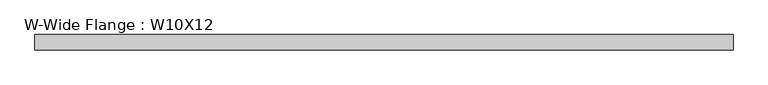
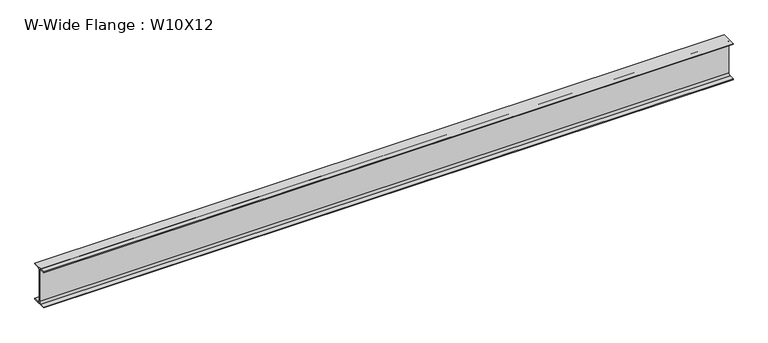
"""IFC4 building model written with IfcOpenShell, lengths in millimetres: beam geometry, W-Wide Flange : W10X12."""

import ifcopenshell
import ifcopenshell.guid

model = None  # the IFC model being written
_history = None  # IfcOwnerHistory: only IFC2X3 demands one
_inside = {}  # id of a spatial element -> (the spatial element, [elements in it])
_under = {}  # id of a project, library or spatial element -> (it, [spatial elements below it])
_declared = {}  # id of a project -> (the project, [libraries it declares])
_typed = {}  # id of a type object -> (the type object, [elements of that type])
_made_of = {}  # id of a material, layer set ... -> (it, [elements and type objects made of it])


def new_model(schema):
    """Start an empty IFC model of exactly this schema.

    Asked for "IFC4X3", IfcOpenShell would pick the latest addendum, in which some entities
    have other attributes; the version numbers below select the first issue.
    IFC2X3 requires an IfcOwnerHistory on every rooted entity: one is made here for all.
    """
    global model, _history
    if schema == "IFC4X3":
        model = ifcopenshell.file(schema_version=(4, 3, 0, 0))
    else:
        model = ifcopenshell.file(schema=schema)
    _inside.clear()
    _under.clear()
    _declared.clear()
    _typed.clear()
    _made_of.clear()
    _history = None
    if model.schema == "IFC2X3":
        org = make("IfcOrganization", Name="unknown")
        user = make(
            "IfcPersonAndOrganization",
            ThePerson=make("IfcPerson", FamilyName="unknown"),
            TheOrganization=org,
        )
        app = make(
            "IfcApplication",
            ApplicationDeveloper=org,
            Version="unknown",
            ApplicationFullName="unknown",
            ApplicationIdentifier="unknown",
        )
        _history = make(
            "IfcOwnerHistory",
            OwningUser=user,
            OwningApplication=app,
            ChangeAction="ADDED",
            CreationDate=0,
        )
    return model


def make(cls, **values):
    """One entity of the class cls with the attributes given. An attribute that is None is left unset."""
    return model.create_entity(
        cls, **{name: value for name, value in values.items() if value is not None}
    )


def rooted(cls, **values):
    """An entity with a GlobalId (a new one), such as an element, a storey or a relation."""
    return make(cls, GlobalId=ifcopenshell.guid.new(), OwnerHistory=_history, **values)


def si_unit(unit_type, name, prefix=None):
    """IfcSIUnit, for example si_unit("LENGTHUNIT", "METRE", prefix="MILLI")."""
    return make("IfcSIUnit", UnitType=unit_type, Prefix=prefix, Name=name)


def assignment(units):
    """IfcUnitAssignment: the units of a project."""
    return None if units is None else make("IfcUnitAssignment", Units=units)


def point(xyz):
    """IfcCartesianPoint."""
    return None if xyz is None else make("IfcCartesianPoint", Coordinates=xyz)


def direction(xyz):
    """IfcDirection."""
    return None if xyz is None else make("IfcDirection", DirectionRatios=xyz)


def frame(location, z_axis=None, x_axis=None):
    """IfcAxis2Placement3D, a coordinate frame: its origin and axes. An axis left out is left unset."""
    return make(
        "IfcAxis2Placement3D",
        Location=point(location),
        Axis=direction(z_axis),
        RefDirection=direction(x_axis),
    )


def frame_2d(location, x_axis=None):
    """IfcAxis2Placement2D, a coordinate frame in the plane: its origin and x axis."""
    return make(
        "IfcAxis2Placement2D", Location=point(location), RefDirection=direction(x_axis)
    )


def origin():
    """The frame at (0, 0, 0) with its axes left unset."""
    return frame((0.0, 0.0, 0.0))


def place(relative_to, where):
    """IfcLocalPlacement: puts the frame where relative to a parent placement (None: the world)."""
    return make(
        "IfcLocalPlacement", PlacementRelTo=relative_to, RelativePlacement=where
    )


def context(
    kind, dimensions, precision=None, world=None, true_north=None, identifier=None
):
    """IfcGeometricRepresentationContext, for example the 3D "Model" context."""
    return make(
        "IfcGeometricRepresentationContext",
        ContextIdentifier=identifier,
        ContextType=kind,
        CoordinateSpaceDimension=dimensions,
        Precision=precision,
        WorldCoordinateSystem=world,
        TrueNorth=true_north,
    )


def project(units=None, contexts=None):
    """IfcProject with its units and contexts."""
    return rooted(
        "IfcProject",
        Name="project",
        RepresentationContexts=contexts,
        UnitsInContext=assignment(units),
    )


def spatial(cls, under=None, at=None, **own):
    """A site, building, storey or space (cls), placed at a placement, below another one or the project."""
    s = rooted(cls, ObjectPlacement=at, **own)
    if under is not None:
        _under.setdefault(under.id(), (under, []))[1].append(s)
    return s


def polyline(points):
    """IfcPolyline through the points."""
    return make("IfcPolyline", Points=[point(p) for p in points])


def circle_curve(where, radius):
    """IfcCircle in the frame where."""
    return make("IfcCircle", Position=where, Radius=radius)


def trimmed(basis, trim1, trim2, sense, master):
    """IfcTrimmedCurve: the piece of a basis curve between two trims."""
    return make(
        "IfcTrimmedCurve",
        BasisCurve=basis,
        Trim1=trim1,
        Trim2=trim2,
        SenseAgreement=sense,
        MasterRepresentation=master,
    )


def segment(curve, same_sense, transition):
    """IfcCompositeCurveSegment."""
    return make(
        "IfcCompositeCurveSegment",
        Transition=transition,
        SameSense=same_sense,
        ParentCurve=curve,
    )


def composite_curve(segments, self_intersect=None):
    """IfcCompositeCurve: segments joined end to end."""
    return make("IfcCompositeCurve", Segments=segments, SelfIntersect=self_intersect)


def outline(outer, holes=None, kind="AREA"):
    """IfcArbitraryClosedProfileDef: a profile drawn as a closed curve; with holes, ...WithVoids."""
    if holes is None:
        return make("IfcArbitraryClosedProfileDef", ProfileType=kind, OuterCurve=outer)
    return make(
        "IfcArbitraryProfileDefWithVoids",
        ProfileType=kind,
        OuterCurve=outer,
        InnerCurves=holes,
    )


def extrude(swept, where, along, depth):
    """IfcExtrudedAreaSolid: the profile swept, set in the frame where, extruded along a direction by depth."""
    return make(
        "IfcExtrudedAreaSolid",
        SweptArea=swept,
        Position=where,
        ExtrudedDirection=direction(along),
        Depth=depth,
    )


def shape(context_of_items, identifier, shape_type, items):
    """IfcShapeRepresentation: the items that make up one representation, for example the "Body"."""
    return make(
        "IfcShapeRepresentation",
        ContextOfItems=context_of_items,
        RepresentationIdentifier=identifier,
        RepresentationType=shape_type,
        Items=items,
    )


def source(mapping_origin, context_of_items, identifier, shape_type, items):
    """IfcRepresentationMap: a shape defined once, which mapped items show again and again."""
    return make(
        "IfcRepresentationMap",
        MappingOrigin=mapping_origin,
        MappedRepresentation=shape(context_of_items, identifier, shape_type, items),
    )


def transform(
    local_origin,
    x_axis=None,
    y_axis=None,
    z_axis=None,
    scale=None,
    scale2=None,
    scale3=None,
    uniform=True,
):
    """IfcCartesianTransformationOperator3D, or its non-uniform kind. x_axis, y_axis, z_axis: its Axis1, 2, 3."""
    if uniform:
        return make(
            "IfcCartesianTransformationOperator3D",
            Axis1=direction(x_axis),
            Axis2=direction(y_axis),
            LocalOrigin=point(local_origin),
            Scale=scale,
            Axis3=direction(z_axis),
        )
    return make(
        "IfcCartesianTransformationOperator3DnonUniform",
        Axis1=direction(x_axis),
        Axis2=direction(y_axis),
        LocalOrigin=point(local_origin),
        Scale=scale,
        Axis3=direction(z_axis),
        Scale2=scale2,
        Scale3=scale3,
    )


def mapped(mapping_source, mapping_target):
    """IfcMappedItem: shows the shape of a source again, moved by a transform."""
    return make(
        "IfcMappedItem", MappingSource=mapping_source, MappingTarget=mapping_target
    )


def made_of(thing, what):
    """Note that an element or type object is made of a material, layer set ...; save() writes the relation."""
    if what is not None:
        _made_of.setdefault(what.id(), (what, []))[1].append(thing)
    return thing


def element(
    cls,
    number,
    at=None,
    inside=None,
    cuts=None,
    type_object=None,
    material=None,
    context=None,
    identifier="Body",
    shape_type=None,
    held_by="IfcProductDefinitionShape",
    body=None,
    shapes=None,
    **own,
):
    """One element of the class cls, such as IfcWall. Its Tag is "e" and its number.

    at: its placement. inside: the storey or other place that contains it. cuts: it is an
    opening in that element (IfcRelVoidsElement). A single representation is given by context,
    identifier, shape_type and body (its items); several are given by shapes. held_by: the class
    of the entity that holds the representations. save() writes the other relations.
    """
    e = rooted(cls, Tag="e%d" % number, ObjectPlacement=at, **own)
    if body is not None:
        shapes = [shape(context, identifier, shape_type, body)]
    if shapes is not None:
        e.Representation = make(held_by, Representations=shapes)
    if inside is not None:
        _inside.setdefault(inside.id(), (inside, []))[1].append(e)
    if cuts is not None:
        rooted(
            "IfcRelVoidsElement", RelatingBuildingElement=cuts, RelatedOpeningElement=e
        )
    if type_object is not None:
        _typed.setdefault(type_object.id(), (type_object, []))[1].append(e)
    return made_of(e, material)


def aggregate(whole, parts):
    """IfcRelAggregates: a whole, such as a stair, and the parts it consists of."""
    return rooted("IfcRelAggregates", RelatingObject=whole, RelatedObjects=parts)


def save(model, path):
    """Write the relations noted so far, then the file.

    IfcRelAggregates (storeys below a building ...), IfcRelContainedInSpatialStructure (elements
    in a storey), IfcRelDefinesByType, IfcRelAssociatesMaterial and IfcRelDeclares: one each for
    every whole, place, type object, material and project.
    """
    for whole, parts in _under.values():
        aggregate(whole, parts)
    for where, things in _inside.values():
        rooted(
            "IfcRelContainedInSpatialStructure",
            RelatedElements=things,
            RelatingStructure=where,
        )
    for kind, things in _typed.values():
        rooted("IfcRelDefinesByType", RelatedObjects=things, RelatingType=kind)
    for what, things in _made_of.values():
        rooted("IfcRelAssociatesMaterial", RelatedObjects=things, RelatingMaterial=what)
    for by, libraries in _declared.values():
        rooted("IfcRelDeclares", RelatingContext=by, RelatedDefinitions=libraries)
    model.write(path)


def w_wide_flange_w10x12_7e4c40b5(model_context):
    return source(origin(), model_context, "Body", "SweptSolid", [
        extrude(outline(composite_curve([segment(polyline([(50.3039062, -120.0050781), (50.3039062, -125.3628906), (-50.3039063, -125.3628906), (-50.3039063, -120.0050781), (-16.1230469, -120.0050781)]), True, "CONTINUOUS"), segment(trimmed(circle_curve(frame_2d((-16.1230469, -106.3128906)), 13.6921875), [point((-16.1230469, -120.0050781))], [point((-2.4308594, -106.3128906))], True, "CARTESIAN"), True, "CONTINUOUS"), segment(polyline([(-2.4308594, -106.3128906), (-2.4308594, 106.3128906)]), True, "CONTINUOUS"), segment(trimmed(circle_curve(frame_2d((-16.1230469, 106.3128906)), 13.6921875), [point((-2.4308594, 106.3128906))], [point((-16.1230469, 120.0050781))], True, "CARTESIAN"), True, "CONTINUOUS"), segment(polyline([(-16.1230469, 120.0050781), (-50.3039063, 120.0050781), (-50.3039063, 125.3628906), (50.3039062, 125.3628906), (50.3039062, 120.0050781), (16.1230469, 120.0050781)]), True, "CONTINUOUS"), segment(trimmed(circle_curve(frame_2d((16.1230469, 106.3128906)), 13.6921875), [point((16.1230469, 120.0050781))], [point((2.4308594, 106.3128906))], True, "CARTESIAN"), True, "CONTINUOUS"), segment(polyline([(2.4308594, 106.3128906), (2.4308594, -106.3128906)]), True, "CONTINUOUS"), segment(trimmed(circle_curve(frame_2d((16.1230469, -106.3128906)), 13.6921875), [point((2.4308594, -106.3128906))], [point((16.1230469, -120.0050781))], True, "CARTESIAN"), True, "CONTINUOUS"), segment(polyline([(16.1230469, -120.0050781), (50.3039062, -120.0050781)]), True, "CONTINUOUS")], self_intersect=False)), frame((-2279.65, 0.0, 0.0), z_axis=(1.0, 0.0, 0.0), x_axis=(0.0, 1.0, 0.0)), (0.0, 0.0, 1.0), 4546.6),
    ])


if __name__ == "__main__":
    model = new_model("IFC4")
    model_context = context("Model", 3, world=origin())
    ifc_project = project(units=[si_unit("LENGTHUNIT", "METRE", prefix="MILLI")], contexts=[model_context])
    site = spatial("IfcSite", under=ifc_project)
    building = spatial("IfcBuilding", under=site)
    placement = place(None, origin())
    w_wide_flange_w10x12_shape = w_wide_flange_w10x12_7e4c40b5(model_context)
    element("IfcBeam", 1, ObjectType="W-Wide Flange : W10X12", at=placement, inside=building, context=model_context, shape_type="MappedRepresentation", body=[
        mapped(w_wide_flange_w10x12_shape, transform((0.0, 0.0, 0.0), x_axis=(1.0, 0.0, 0.0), y_axis=(0.0, 1.0, 0.0), z_axis=(0.0, 0.0, 1.0))),
    ])
    save(model, "model.ifc")
